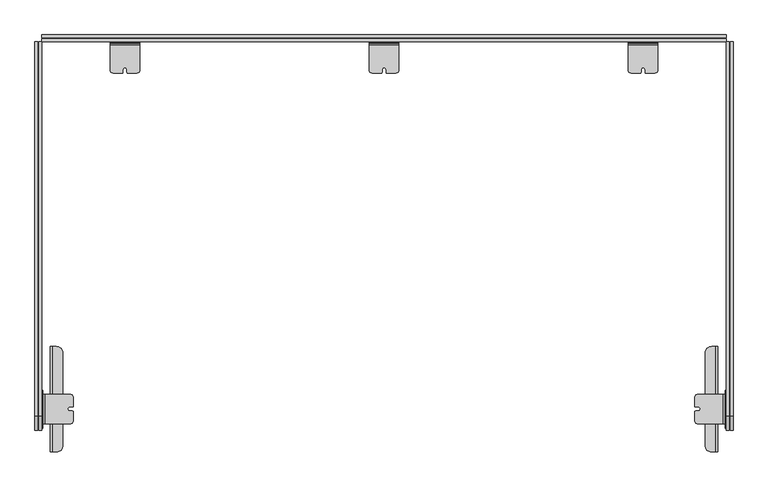
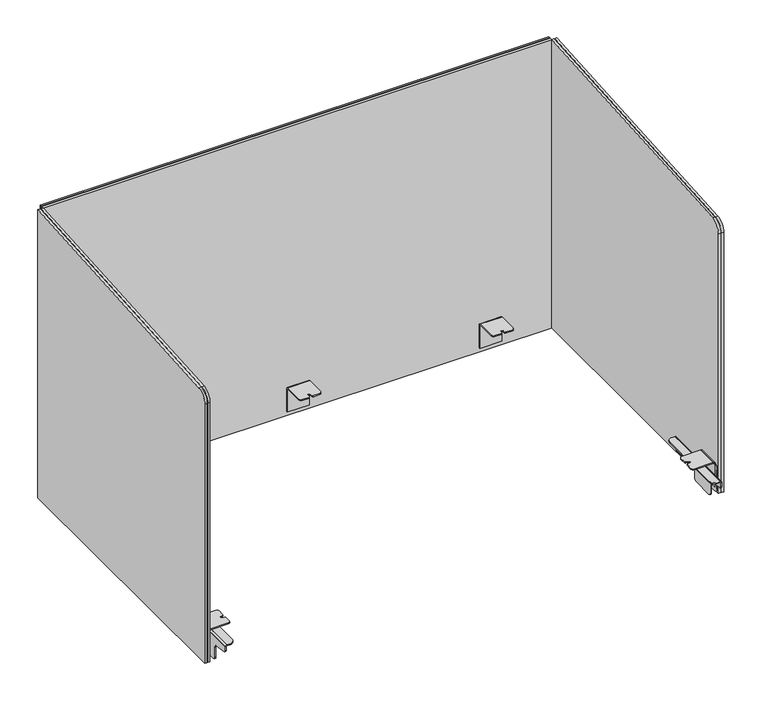
"""IFC4 building model written with IfcOpenShell, lengths in millimetres: furniture geometry."""

from ifc_helpers import new_model, si_unit, point, frame, frame_2d, origin, place, context, project, spatial, polyline, circle_curve, trimmed, segment, composite_curve, outline, extrude, faceted_brep, source, transform, mapped, element, save
from ifc_brep_helpers import plane_surface, cylinder_surface, advanced_brep


def furniture_b3ab7c66(model_context):
    return source(origin(), model_context, "Body", "SolidModel", [
        extrude(outline(polyline([(-578.515657, 701.6102412), (-573.4356619, 700.2490597), (-569.7168482, 696.530246), (-568.3602405, 691.4673203), (-568.3602405, 645.7131523), (-569.7168482, 640.6502266), (-573.4356619, 636.9314129), (-578.515657, 635.5702315), (-622.9656692, 635.5702315), (-628.0456643, 636.9314129), (-631.764478, 640.6502266), (-633.1754519, 645.9160497), (-633.1754519, 691.264423), (-631.764478, 696.530246), (-628.0456643, 700.2490597), (-622.9656692, 701.6102412), (-578.515657, 701.6102412)])), frame((0.0, 0.0, 0.0), z_axis=(1.0, 0.0, 0.0), x_axis=(0.0, 1.0, 0.0)), (0.0, 0.0, 1.0), 1.5260599),
        extrude(outline(composite_curve([segment(polyline([(690.1065829, 13.9575148), (690.1065829, 15.73666)]), True, "CONTINUOUS"), segment(trimmed(circle_curve(frame_2d((690.1810291, 17.1842629)), 1.449516), [point((690.1065829, 15.73666))], [point((691.6305451, 17.1842629))], True, "CARTESIAN"), True, "CONTINUOUS"), segment(polyline([(691.6305451, 17.1842629), (693.4085616, 17.1842629)]), True, "CONTINUOUS"), segment(trimmed(circle_curve(frame_2d((690.1809564, 17.1842629)), 3.2276051), [point((693.4085616, 17.1842629))], [point((690.1065829, 13.9575148))], False, "CARTESIAN"), True, "CONTINUOUS")], self_intersect=False)), frame((0.0, -673.8926478, 0.0), z_axis=(0.0, 1.0, 0.0), x_axis=(0.0, 0.0, 1.0)), (0.0, 0.0, 1.0), 179.8320102),
        extrude(outline(polyline([(-605.1895013, 651.5024712), (-602.4399598, 653.500169), (-599.0413301, 653.500169), (-596.2917886, 651.5024712), (-595.241562, 648.270183), (-596.2917886, 645.0378949), (-599.0413301, 643.0402697), (-602.4399598, 643.0402697), (-605.1895013, 645.0378949), (-606.2397642, 648.270183), (-605.1895013, 651.5024712)])), frame((1.5260599, 0.0, 0.0), z_axis=(1.0, 0.0, 0.0), x_axis=(0.0, 1.0, 0.0)), (0.0, 0.0, 1.0), 12.4305979),
        extrude(outline(composite_curve([segment(polyline([(17.1842629, -494.0606377), (24.6255536, -494.0606377)]), True, "CONTINUOUS"), segment(trimmed(circle_curve(frame_2d((24.6255536, -505.2357573)), 11.1751197), [point((24.6255536, -494.0606377))], [point((35.8006733, -505.2357573))], False, "CARTESIAN"), True, "CONTINUOUS"), segment(polyline([(35.8006733, -505.2357573), (35.8006733, -662.8505818)]), True, "CONTINUOUS"), segment(trimmed(circle_curve(frame_2d((24.7586072, -662.8505818)), 11.0420661), [point((35.8006733, -662.8505818))], [point((24.7586072, -673.8926478))], False, "CARTESIAN"), True, "CONTINUOUS"), segment(polyline([(24.7586072, -673.8926478), (17.1842629, -673.8926478), (17.1842629, -494.0606377)]), True, "CONTINUOUS")], self_intersect=False)), frame((0.0, 0.0, 691.6305451), z_axis=(0.0, 0.0, 1.0), x_axis=(1.0, 0.0, 0.0)), (0.0, 0.0, 1.0), 1.7780165),
        extrude(outline(composite_curve([segment(polyline([(-494.0606377, 690.1065829), (-494.0606377, 666.7385567)]), True, "CONTINUOUS"), segment(trimmed(circle_curve(frame_2d((-500.4106377, 666.7385567)), 6.35), [point((-494.0606377, 666.7385567))], [point((-500.4106377, 660.3885567))], False, "CARTESIAN"), True, "CONTINUOUS"), segment(polyline([(-500.4106377, 660.3885567), (-562.640657, 660.3885567)]), True, "CONTINUOUS"), segment(trimmed(circle_curve(frame_2d((-562.640657, 654.0385567)), 6.35), [point((-562.640657, 660.3885567))], [point((-568.990657, 654.0385567))], True, "CARTESIAN"), True, "CONTINUOUS"), segment(polyline([(-568.990657, 654.0385567), (-568.990657, 639.814546)]), True, "CONTINUOUS"), segment(trimmed(circle_curve(frame_2d((-575.340657, 639.814546)), 6.35), [point((-568.990657, 639.814546))], [point((-575.340657, 633.464546))], False, "CARTESIAN"), True, "CONTINUOUS"), segment(polyline([(-575.340657, 633.464546), (-626.1406692, 633.464546)]), True, "CONTINUOUS"), segment(trimmed(circle_curve(frame_2d((-626.1406692, 639.814546)), 6.35), [point((-626.1406692, 633.464546))], [point((-632.4906692, 639.814546))], False, "CARTESIAN"), True, "CONTINUOUS"), segment(polyline([(-632.4906692, 639.814546), (-632.4906692, 664.4132587)]), True, "CONTINUOUS"), segment(trimmed(circle_curve(frame_2d((-638.8406692, 664.4132587)), 6.35), [point((-632.4906692, 664.4132587))], [point((-637.8911215, 670.691862))], True, "CARTESIAN"), True, "CONTINUOUS"), segment(polyline([(-637.8911215, 670.691862), (-668.8412528, 675.3726202)]), True, "CONTINUOUS"), segment(trimmed(circle_curve(frame_2d((-667.953079, 681.245407)), 5.9395689), [point((-668.8412528, 675.3726202))], [point((-673.8926478, 681.245407))], False, "CARTESIAN"), True, "CONTINUOUS"), segment(polyline([(-673.8926478, 681.245407), (-673.8926478, 690.1065829), (-494.0606377, 690.1065829)]), True, "CONTINUOUS")], self_intersect=False)), frame((13.9566578, 0.0, 0.0), z_axis=(1.0, 0.0, 0.0), x_axis=(0.0, 1.0, 0.0)), (0.0, 0.0, 1.0), 1.7780891),
        extrude(outline(polyline([(-578.515657, 701.6102412), (-573.4356619, 700.2490597), (-569.7168482, 696.530246), (-568.3602405, 691.4673203), (-568.3602405, 645.7131523), (-569.7168482, 640.6502266), (-573.4356619, 636.9314129), (-578.515657, 635.5702315), (-622.9656692, 635.5702315), (-628.0456643, 636.9314129), (-631.764478, 640.6502266), (-633.1754519, 645.9160497), (-633.1754519, 691.264423), (-631.764478, 696.530246), (-628.0456643, 700.2490597), (-622.9656692, 701.6102412), (-578.515657, 701.6102412)])), frame((1163.8668103, 0.0, 0.0), z_axis=(1.0, 0.0, 0.0), x_axis=(0.0, 1.0, 0.0)), (0.0, 0.0, 1.0), 1.5260599),
        extrude(outline(composite_curve([segment(trimmed(circle_curve(frame_2d((690.1809564, 1148.2086073)), 3.2276051), [point((690.1065829, 1151.4353554))], [point((693.4085616, 1148.2086073))], False, "CARTESIAN"), True, "CONTINUOUS"), segment(polyline([(693.4085616, 1148.2086073), (691.6305451, 1148.2086073)]), True, "CONTINUOUS"), segment(trimmed(circle_curve(frame_2d((690.1810291, 1148.2086073)), 1.449516), [point((691.6305451, 1148.2086073))], [point((690.1065829, 1149.6562103))], True, "CARTESIAN"), True, "CONTINUOUS"), segment(polyline([(690.1065829, 1149.6562103), (690.1065829, 1151.4353554)]), True, "CONTINUOUS")], self_intersect=False)), frame((0.0, -673.8926478, 0.0), z_axis=(0.0, 1.0, 0.0), x_axis=(0.0, 0.0, 1.0)), (0.0, 0.0, 1.0), 179.8320102),
        extrude(outline(polyline([(-605.1895013, 651.5024712), (-602.4399598, 653.500169), (-599.0413301, 653.500169), (-596.2917886, 651.5024712), (-595.241562, 648.270183), (-596.2917886, 645.0378949), (-599.0413301, 643.0402697), (-602.4399598, 643.0402697), (-605.1895013, 645.0378949), (-606.2397642, 648.270183), (-605.1895013, 651.5024712)])), frame((1151.4362124, 0.0, 0.0), z_axis=(1.0, 0.0, 0.0), x_axis=(0.0, 1.0, 0.0)), (0.0, 0.0, 1.0), 12.4305979),
        extrude(outline(composite_curve([segment(polyline([(1148.2086073, -494.0606377), (1148.2086073, -673.8926478), (1140.634263, -673.8926478)]), True, "CONTINUOUS"), segment(trimmed(circle_curve(frame_2d((1140.634263, -662.8505818)), 11.0420661), [point((1140.634263, -673.8926478))], [point((1129.5921969, -662.8505818))], False, "CARTESIAN"), True, "CONTINUOUS"), segment(polyline([(1129.5921969, -662.8505818), (1129.5921969, -505.2357573)]), True, "CONTINUOUS"), segment(trimmed(circle_curve(frame_2d((1140.7673166, -505.2357573)), 11.1751197), [point((1129.5921969, -505.2357573))], [point((1140.7673166, -494.0606377))], False, "CARTESIAN"), True, "CONTINUOUS"), segment(polyline([(1140.7673166, -494.0606377), (1148.2086073, -494.0606377)]), True, "CONTINUOUS")], self_intersect=False)), frame((0.0, 0.0, 691.6305451), z_axis=(0.0, 0.0, 1.0), x_axis=(1.0, 0.0, 0.0)), (0.0, 0.0, 1.0), 1.7780165),
        extrude(outline(composite_curve([segment(polyline([(-494.0606377, 690.1065829), (-494.0606377, 666.7385567)]), True, "CONTINUOUS"), segment(trimmed(circle_curve(frame_2d((-500.4106377, 666.7385567)), 6.35), [point((-494.0606377, 666.7385567))], [point((-500.4106377, 660.3885567))], False, "CARTESIAN"), True, "CONTINUOUS"), segment(polyline([(-500.4106377, 660.3885567), (-562.640657, 660.3885567)]), True, "CONTINUOUS"), segment(trimmed(circle_curve(frame_2d((-562.640657, 654.0385567)), 6.35), [point((-562.640657, 660.3885567))], [point((-568.990657, 654.0385567))], True, "CARTESIAN"), True, "CONTINUOUS"), segment(polyline([(-568.990657, 654.0385567), (-568.990657, 639.814546)]), True, "CONTINUOUS"), segment(trimmed(circle_curve(frame_2d((-575.340657, 639.814546)), 6.35), [point((-568.990657, 639.814546))], [point((-575.340657, 633.464546))], False, "CARTESIAN"), True, "CONTINUOUS"), segment(polyline([(-575.340657, 633.464546), (-626.1406692, 633.464546)]), True, "CONTINUOUS"), segment(trimmed(circle_curve(frame_2d((-626.1406692, 639.814546)), 6.35), [point((-626.1406692, 633.464546))], [point((-632.4906692, 639.814546))], False, "CARTESIAN"), True, "CONTINUOUS"), segment(polyline([(-632.4906692, 639.814546), (-632.4906692, 664.4132587)]), True, "CONTINUOUS"), segment(trimmed(circle_curve(frame_2d((-638.8406692, 664.4132587)), 6.35), [point((-632.4906692, 664.4132587))], [point((-637.8911215, 670.691862))], True, "CARTESIAN"), True, "CONTINUOUS"), segment(polyline([(-637.8911215, 670.691862), (-668.8412528, 675.3726202)]), True, "CONTINUOUS"), segment(trimmed(circle_curve(frame_2d((-667.953079, 681.245407)), 5.9395689), [point((-668.8412528, 675.3726202))], [point((-673.8926478, 681.245407))], False, "CARTESIAN"), True, "CONTINUOUS"), segment(polyline([(-673.8926478, 681.245407), (-673.8926478, 690.1065829), (-494.0606377, 690.1065829)]), True, "CONTINUOUS")], self_intersect=False)), frame((1149.6581233, 0.0, 0.0), z_axis=(1.0, 0.0, 0.0), x_axis=(0.0, 1.0, 0.0)), (0.0, 0.0, 1.0), 1.7780891),
        faceted_brep([(1160.4360501, -625.4059661, 706.2267714), (1116.620095, -625.4059661, 706.2267714), (1116.620095, -625.4059661, 703.7267786), (1160.4360501, -625.4059661, 703.7267786), (1162.2038173, -625.4059661, 702.9945559), (1162.7457488, -625.4059661, 702.1834862), (1162.9360502, -625.4059661, 701.2267859), (1162.9360502, -625.4059661, 646.2268), (1165.3928702, -625.4059661, 646.2268), (1165.3928702, -625.4059661, 701.3691329), (1164.5933983, -625.4059661, 704.0046687), (1163.2139012, -625.4059661, 705.3841629), (1160.4360501, -575.426341, 703.7267786), (1116.6764726, -575.426341, 703.7267786), (1116.6764726, -575.426341, 706.2267714), (1160.4360501, -575.426341, 706.2267714), (1163.2139012, -575.426341, 705.3841629), (1164.5933983, -575.426341, 704.0046687), (1165.3928702, -575.426341, 701.3691329), (1165.3928702, -575.426341, 646.2268), (1162.9360502, -575.426341, 646.2268), (1162.9360502, -575.426341, 701.2267859), (1162.7457488, -575.426341, 702.1834862), (1162.2038173, -575.426341, 702.9945559), (1114.0514107, -624.6206405, 703.7267786), (1112.6483639, -623.2175937, 703.7267786), (1111.7087044, -620.5677959, 703.7267786), (1111.7087044, -606.0721135, 703.7267786), (1112.474203, -604.4304964, 703.7267786), (1113.7835242, -603.8199499, 703.7267786), (1118.0804642, -603.8199499, 703.7267786), (1120.2070488, -602.8283072, 703.7267786), (1121.340524, -600.3975618, 703.7267786), (1120.3634926, -598.3023111, 703.7267786), (1117.9820572, -597.1918296, 703.7267786), (1113.7208759, -597.1918296, 703.7267786), (1112.3643634, -596.5592774, 703.7267786), (1111.7087044, -595.1532122, 703.7267786), (1111.7087044, -580.6692161, 703.7267786), (1112.62724, -577.686723, 703.7267786), (1114.0266388, -576.2873242, 703.7267786), (1111.7087044, -620.5677959, 706.2267714), (1111.7087044, -606.0721135, 706.2267714), (1111.7087044, -595.1532122, 706.2267714), (1111.7087044, -580.6692161, 706.2267714), (1114.0266388, -576.2873242, 706.2267714), (1112.62724, -577.686723, 706.2267714), (1112.3643634, -596.5592774, 706.2267714), (1113.7208759, -597.1918296, 706.2267714), (1117.9820572, -597.1918296, 706.2267714), (1120.3634926, -598.3023111, 706.2267714), (1121.340524, -600.3975618, 706.2267714), (1120.2070488, -602.8283072, 706.2267714), (1118.0804642, -603.8199499, 706.2267714), (1113.7835242, -603.8199499, 706.2267714), (1112.474203, -604.4304964, 706.2267714), (1112.6483639, -623.2175937, 706.2267714), (1114.0514107, -624.6206405, 706.2267714)], [[[0, 1, 2, 3, 4, 5, 6, 7, 8, 9, 10, 11]], [[12, 13, 14, 15, 16, 17, 18, 19, 20, 21, 22, 23]], [[11, 16, 15, 0]], [[10, 17, 16, 11]], [[9, 18, 17, 10]], [[8, 19, 18, 9]], [[7, 20, 19, 8]], [[6, 21, 20, 7]], [[5, 22, 21, 6]], [[4, 23, 22, 5]], [[3, 12, 23, 4]], [[3, 2, 24, 25, 26, 27, 28, 29, 30, 31, 32, 33, 34, 35, 36, 37, 38, 39, 40, 13, 12]], [[26, 41, 42, 27]], [[37, 43, 44, 38]], [[15, 14, 45, 46, 44, 43, 47, 48, 49, 50, 51, 52, 53, 54, 55, 42, 41, 56, 57, 1, 0]], [[40, 39, 46, 45]], [[39, 38, 44, 46]], [[45, 14, 13, 40]], [[56, 41, 26, 25]], [[25, 24, 57, 56]], [[24, 2, 1, 57]], [[36, 35, 48, 47]], [[35, 34, 49, 48]], [[34, 33, 50, 49]], [[33, 32, 51, 50]], [[32, 31, 52, 51]], [[31, 30, 53, 52]], [[30, 29, 54, 53]], [[29, 28, 55, 54]], [[28, 27, 42, 55]], [[47, 43, 37, 36]]]),
        faceted_brep([(4.9568201, -625.4059661, 706.2267714), (2.178969, -625.4059661, 705.3841629), (0.7994719, -625.4059661, 704.0046687), (0.0, -625.4059661, 701.3691329), (0.0, -625.4059661, 646.2268), (2.45682, -625.4059661, 646.2268), (2.45682, -625.4059661, 701.2267859), (2.6471214, -625.4059661, 702.1834862), (3.1890529, -625.4059661, 702.9945559), (4.9568201, -625.4059661, 703.7267786), (48.7727752, -625.4059661, 703.7267786), (48.7727752, -625.4059661, 706.2267714), (4.9568201, -575.426341, 703.7267786), (3.1890529, -575.426341, 702.9945559), (2.6471214, -575.426341, 702.1834862), (2.45682, -575.426341, 701.2267859), (2.45682, -575.426341, 646.2268), (0.0, -575.426341, 646.2268), (0.0, -575.426341, 701.3691329), (0.7994719, -575.426341, 704.0046687), (2.178969, -575.426341, 705.3841629), (4.9568201, -575.426341, 706.2267714), (48.7163976, -575.426341, 706.2267714), (48.7163976, -575.426341, 703.7267786), (51.3662314, -576.2873242, 703.7267786), (52.7656302, -577.686723, 703.7267786), (53.6841658, -580.6692161, 703.7267786), (53.6841658, -595.1532122, 703.7267786), (53.0285068, -596.5592774, 703.7267786), (51.6719943, -597.1918296, 703.7267786), (47.4108131, -597.1918296, 703.7267786), (45.0293776, -598.3023111, 703.7267786), (44.0523462, -600.3975618, 703.7267786), (45.1858214, -602.8283072, 703.7267786), (47.312406, -603.8199499, 703.7267786), (51.609346, -603.8199499, 703.7267786), (52.9186672, -604.4304964, 703.7267786), (53.6841658, -606.0721135, 703.7267786), (53.6841658, -620.5677959, 703.7267786), (52.7445063, -623.2175937, 703.7267786), (51.3414595, -624.6206405, 703.7267786), (53.6841658, -580.6692161, 706.2267714), (53.6841658, -595.1532122, 706.2267714), (53.6841658, -606.0721135, 706.2267714), (53.6841658, -620.5677959, 706.2267714), (51.3414595, -624.6206405, 706.2267714), (52.7445063, -623.2175937, 706.2267714), (52.9186672, -604.4304964, 706.2267714), (51.609346, -603.8199499, 706.2267714), (47.312406, -603.8199499, 706.2267714), (45.1858214, -602.8283072, 706.2267714), (44.0523462, -600.3975618, 706.2267714), (45.0293776, -598.3023111, 706.2267714), (47.4108131, -597.1918296, 706.2267714), (51.6719943, -597.1918296, 706.2267714), (53.0285068, -596.5592774, 706.2267714), (52.7656302, -577.686723, 706.2267714), (51.3662314, -576.2873242, 706.2267714)], [[[0, 1, 2, 3, 4, 5, 6, 7, 8, 9, 10, 11]], [[12, 13, 14, 15, 16, 17, 18, 19, 20, 21, 22, 23]], [[1, 0, 21, 20]], [[2, 1, 20, 19]], [[3, 2, 19, 18]], [[4, 3, 18, 17]], [[5, 4, 17, 16]], [[6, 5, 16, 15]], [[7, 6, 15, 14]], [[8, 7, 14, 13]], [[9, 8, 13, 12]], [[9, 12, 23, 24, 25, 26, 27, 28, 29, 30, 31, 32, 33, 34, 35, 36, 37, 38, 39, 40, 10]], [[27, 26, 41, 42]], [[38, 37, 43, 44]], [[21, 0, 11, 45, 46, 44, 43, 47, 48, 49, 50, 51, 52, 53, 54, 55, 42, 41, 56, 57, 22]], [[24, 57, 56, 25]], [[25, 56, 41, 26]], [[57, 24, 23, 22]], [[46, 39, 38, 44]], [[39, 46, 45, 40]], [[40, 45, 11, 10]], [[28, 55, 54, 29]], [[29, 54, 53, 30]], [[30, 53, 52, 31]], [[31, 52, 51, 32]], [[32, 51, 50, 33]], [[33, 50, 49, 34]], [[34, 49, 48, 35]], [[35, 48, 47, 36]], [[36, 47, 43, 37]], [[55, 28, 27, 42]]]),
        faceted_brep([(116.2874907, 20.4011265, 703.7267786), (116.2874907, -23.2471056, 703.7267786), (116.2874907, -23.2471056, 706.2267714), (116.2874907, 20.4011265, 706.2267714), (116.2874907, 23.1789774, 705.3841629), (116.2874907, 24.5584763, 704.0046687), (116.2874907, 25.4011279, 701.2267859), (116.2874907, 25.4011279, 646.2268), (116.2874907, 22.901126, 646.2268), (116.2874907, 22.901126, 701.2267859), (116.2874907, 22.710826, 702.1834862), (116.2874907, 22.1688942, 702.9945559), (166.2875002, 20.4011265, 706.2267714), (166.2875002, -23.1817556, 706.2267714), (166.2875002, -23.1817556, 703.7267786), (166.2875002, 20.4011265, 703.7267786), (166.2875002, 22.1688942, 702.9945559), (166.2875002, 22.710826, 702.1834862), (166.2875002, 22.901126, 701.2267859), (166.2875002, 22.901126, 646.2268), (166.2875002, 25.4011279, 646.2268), (166.2875002, 25.4011279, 701.2267859), (166.2875002, 24.5584763, 704.0046687), (166.2875002, 23.1789774, 705.3841629), (146.5874944, -28.1817525, 706.2267714), (146.5874944, -28.1817525, 703.7267786), (161.2874965, -28.1817525, 703.7267786), (161.2874965, -28.1817525, 706.2267714), (121.2676706, -28.1817525, 706.2267714), (121.2676706, -28.1817525, 703.7267786), (135.9874965, -28.1817525, 703.7267786), (135.9874965, -28.1817525, 706.2267714), (165.4448463, -25.9596021, 703.7267786), (164.065352, -27.3391009, 703.7267786), (145.1732821, -27.5959666, 703.7267786), (144.5874984, -26.1817542, 703.7267786), (144.5874984, -21.9817539, 703.7267786), (143.6209513, -19.6483026, 703.7267786), (141.2875, -18.6817532, 703.7267786), (138.9540396, -19.6483026, 703.7267786), (137.9874925, -21.9817539, 703.7267786), (137.9874925, -26.1817542, 703.7267786), (137.4017088, -27.5959666, 703.7267786), (118.4898151, -27.3391009, 703.7267786), (117.1103208, -25.9596021, 703.7267786), (117.1103208, -25.9596021, 706.2267714), (118.4898151, -27.3391009, 706.2267714), (137.4017088, -27.5959666, 706.2267714), (137.9874925, -26.1817542, 706.2267714), (137.9874925, -21.9817539, 706.2267714), (138.9540396, -19.6483026, 706.2267714), (141.2875, -18.6817532, 706.2267714), (143.6209513, -19.6483026, 706.2267714), (144.5874984, -21.9817539, 706.2267714), (144.5874984, -26.1817542, 706.2267714), (145.1732821, -27.5959666, 706.2267714), (164.065352, -27.3391009, 706.2267714), (165.4448463, -25.9596021, 706.2267714)], [[[0, 1, 2, 3, 4, 5, 6, 7, 8, 9, 10, 11]], [[12, 13, 14, 15, 16, 17, 18, 19, 20, 21, 22, 23]], [[24, 25, 26, 27]], [[28, 29, 30, 31]], [[15, 14, 32, 33, 26, 25, 34, 35, 36, 37, 38, 39, 40, 41, 42, 30, 29, 43, 44, 1, 0]], [[11, 16, 15, 0]], [[10, 17, 16, 11]], [[9, 18, 17, 10]], [[8, 19, 18, 9]], [[7, 20, 19, 8]], [[6, 21, 20, 7]], [[5, 22, 21, 6]], [[4, 23, 22, 5]], [[3, 12, 23, 4]], [[3, 2, 45, 46, 28, 31, 47, 48, 49, 50, 51, 52, 53, 54, 55, 24, 27, 56, 57, 13, 12]], [[32, 14, 13, 57]], [[56, 27, 26, 33]], [[57, 56, 33, 32]], [[44, 43, 46, 45]], [[43, 29, 28, 46]], [[45, 2, 1, 44]], [[37, 36, 53, 52]], [[36, 35, 54, 53]], [[35, 34, 55, 54]], [[34, 25, 24, 55]], [[47, 31, 30, 42]], [[42, 41, 48, 47]], [[41, 40, 49, 48]], [[40, 39, 50, 49]], [[39, 38, 51, 50]], [[52, 51, 38, 37]]]),
        faceted_brep([(1049.0645515, 20.4011265, 703.7267786), (1049.0645515, 22.1688942, 702.9945559), (1049.0645515, 22.710826, 702.1834862), (1049.0645515, 22.901126, 701.2267859), (1049.0645515, 22.901126, 646.2268), (1049.0645515, 25.4011279, 646.2268), (1049.0645515, 25.4011279, 701.2267859), (1049.0645515, 24.5584763, 704.0046687), (1049.0645515, 23.1789774, 705.3841629), (1049.0645515, 20.4011265, 706.2267714), (1049.0645515, -23.2471056, 706.2267714), (1049.0645515, -23.2471056, 703.7267786), (999.0645421, 20.4011265, 706.2267714), (999.0645421, 23.1789774, 705.3841629), (999.0645421, 24.5584763, 704.0046687), (999.0645421, 25.4011279, 701.2267859), (999.0645421, 25.4011279, 646.2268), (999.0645421, 22.901126, 646.2268), (999.0645421, 22.901126, 701.2267859), (999.0645421, 22.710826, 702.1834862), (999.0645421, 22.1688942, 702.9945559), (999.0645421, 20.4011265, 703.7267786), (999.0645421, -23.1817556, 703.7267786), (999.0645421, -23.1817556, 706.2267714), (1018.7645478, -28.1817525, 706.2267714), (1004.0645458, -28.1817525, 706.2267714), (1004.0645458, -28.1817525, 703.7267786), (1018.7645478, -28.1817525, 703.7267786), (1044.0843716, -28.1817525, 706.2267714), (1029.3645458, -28.1817525, 706.2267714), (1029.3645458, -28.1817525, 703.7267786), (1044.0843716, -28.1817525, 703.7267786), (1048.2417214, -25.9596021, 703.7267786), (1046.8622272, -27.3391009, 703.7267786), (1027.9503334, -27.5959666, 703.7267786), (1027.3645498, -26.1817542, 703.7267786), (1027.3645498, -21.9817539, 703.7267786), (1026.3980027, -19.6483026, 703.7267786), (1024.0645423, -18.6817532, 703.7267786), (1021.731091, -19.6483026, 703.7267786), (1020.7645438, -21.9817539, 703.7267786), (1020.7645438, -26.1817542, 703.7267786), (1020.1787602, -27.5959666, 703.7267786), (1001.2866902, -27.3391009, 703.7267786), (999.9071959, -25.9596021, 703.7267786), (999.9071959, -25.9596021, 706.2267714), (1001.2866902, -27.3391009, 706.2267714), (1020.1787602, -27.5959666, 706.2267714), (1020.7645438, -26.1817542, 706.2267714), (1020.7645438, -21.9817539, 706.2267714), (1021.731091, -19.6483026, 706.2267714), (1024.0645423, -18.6817532, 706.2267714), (1026.3980027, -19.6483026, 706.2267714), (1027.3645498, -21.9817539, 706.2267714), (1027.3645498, -26.1817542, 706.2267714), (1027.9503334, -27.5959666, 706.2267714), (1046.8622272, -27.3391009, 706.2267714), (1048.2417214, -25.9596021, 706.2267714)], [[[0, 1, 2, 3, 4, 5, 6, 7, 8, 9, 10, 11]], [[12, 13, 14, 15, 16, 17, 18, 19, 20, 21, 22, 23]], [[24, 25, 26, 27]], [[28, 29, 30, 31]], [[21, 0, 11, 32, 33, 31, 30, 34, 35, 36, 37, 38, 39, 40, 41, 42, 27, 26, 43, 44, 22]], [[1, 0, 21, 20]], [[2, 1, 20, 19]], [[3, 2, 19, 18]], [[4, 3, 18, 17]], [[5, 4, 17, 16]], [[6, 5, 16, 15]], [[7, 6, 15, 14]], [[8, 7, 14, 13]], [[9, 8, 13, 12]], [[9, 12, 23, 45, 46, 25, 24, 47, 48, 49, 50, 51, 52, 53, 54, 55, 29, 28, 56, 57, 10]], [[44, 45, 23, 22]], [[46, 43, 26, 25]], [[45, 44, 43, 46]], [[32, 57, 56, 33]], [[33, 56, 28, 31]], [[57, 32, 11, 10]], [[39, 50, 49, 40]], [[40, 49, 48, 41]], [[41, 48, 47, 42]], [[42, 47, 24, 27]], [[55, 34, 30, 29]], [[34, 55, 54, 35]], [[35, 54, 53, 36]], [[36, 53, 52, 37]], [[37, 52, 51, 38]], [[50, 39, 38, 51]]]),
        faceted_brep([(607.8849655, 20.4011265, 703.7267786), (607.8849655, 22.1688942, 702.9945559), (607.8849655, 22.710826, 702.1834862), (607.8849655, 22.901126, 701.2267859), (607.8849655, 22.901126, 646.2268), (607.8849655, 25.4011279, 646.2268), (607.8849655, 25.4011279, 701.2267859), (607.8849655, 24.5584763, 704.0046687), (607.8849655, 23.1789774, 705.3841629), (607.8849655, 20.4011265, 706.2267714), (607.8849655, -23.2471056, 706.2267714), (607.8849655, -23.2471056, 703.7267786), (557.884956, 20.4011265, 706.2267714), (557.884956, 23.1789774, 705.3841629), (557.884956, 24.5584763, 704.0046687), (557.884956, 25.4011279, 701.2267859), (557.884956, 25.4011279, 646.2268), (557.884956, 22.901126, 646.2268), (557.884956, 22.901126, 701.2267859), (557.884956, 22.710826, 702.1834862), (557.884956, 22.1688942, 702.9945559), (557.884956, 20.4011265, 703.7267786), (557.884956, -23.1817556, 703.7267786), (557.884956, -23.1817556, 706.2267714), (577.5849617, -28.1817525, 706.2267714), (562.8849597, -28.1817525, 706.2267714), (562.8849597, -28.1817525, 703.7267786), (577.5849617, -28.1817525, 703.7267786), (602.9047855, -28.1817525, 706.2267714), (588.1849597, -28.1817525, 706.2267714), (588.1849597, -28.1817525, 703.7267786), (602.9047855, -28.1817525, 703.7267786), (607.0621353, -25.9596021, 703.7267786), (605.6826411, -27.3391009, 703.7267786), (586.7707473, -27.5959666, 703.7267786), (586.1849637, -26.1817542, 703.7267786), (586.1849637, -21.9817539, 703.7267786), (585.2184166, -19.6483026, 703.7267786), (582.8849562, -18.6817532, 703.7267786), (580.5515049, -19.6483026, 703.7267786), (579.5849578, -21.9817539, 703.7267786), (579.5849578, -26.1817542, 703.7267786), (578.9991741, -27.5959666, 703.7267786), (560.1071041, -27.3391009, 703.7267786), (558.7276099, -25.9596021, 703.7267786), (558.7276099, -25.9596021, 706.2267714), (560.1071041, -27.3391009, 706.2267714), (578.9991741, -27.5959666, 706.2267714), (579.5849578, -26.1817542, 706.2267714), (579.5849578, -21.9817539, 706.2267714), (580.5515049, -19.6483026, 706.2267714), (582.8849562, -18.6817532, 706.2267714), (585.2184166, -19.6483026, 706.2267714), (586.1849637, -21.9817539, 706.2267714), (586.1849637, -26.1817542, 706.2267714), (586.7707473, -27.5959666, 706.2267714), (605.6826411, -27.3391009, 706.2267714), (607.0621353, -25.9596021, 706.2267714)], [[[0, 1, 2, 3, 4, 5, 6, 7, 8, 9, 10, 11]], [[12, 13, 14, 15, 16, 17, 18, 19, 20, 21, 22, 23]], [[24, 25, 26, 27]], [[28, 29, 30, 31]], [[21, 0, 11, 32, 33, 31, 30, 34, 35, 36, 37, 38, 39, 40, 41, 42, 27, 26, 43, 44, 22]], [[1, 0, 21, 20]], [[2, 1, 20, 19]], [[3, 2, 19, 18]], [[4, 3, 18, 17]], [[5, 4, 17, 16]], [[6, 5, 16, 15]], [[7, 6, 15, 14]], [[8, 7, 14, 13]], [[9, 8, 13, 12]], [[9, 12, 23, 45, 46, 25, 24, 47, 48, 49, 50, 51, 52, 53, 54, 55, 29, 28, 56, 57, 10]], [[44, 45, 23, 22]], [[46, 43, 26, 25]], [[45, 44, 43, 46]], [[32, 57, 56, 33]], [[33, 56, 28, 31]], [[57, 32, 11, 10]], [[39, 50, 49, 40]], [[40, 49, 48, 41]], [[41, 48, 47, 42]], [[42, 47, 24, 27]], [[55, 34, 30, 29]], [[34, 55, 54, 35]], [[35, 54, 53, 36]], [[36, 53, 52, 37]], [[37, 52, 51, 38]], [[50, 39, 38, 51]]]),
        advanced_brep(
        [(1170.6765253, -613.529928, 1290.3571366), (1165.3928702, -613.529928, 1290.3571366), (1165.3928702, -636.6080487, 1265.0634838), (1170.6765253, -636.6080487, 1265.0634838), (1170.6765253, 25.4013821, 1335.0203526), (1165.3928702, 25.4011271, 1335.0203347), (1170.6765253, 25.4011271, 636.2192), (1170.6765253, -636.6080487, 636.2192), (1165.3928702, -636.6080487, 636.2192), (1165.3928702, 25.4011271, 636.2192)],
        [
            (0, 1),
            (1, 2, circle_curve(frame((1165.3928702, -611.2080487, 1265.0634838), z_axis=(1.0, 0.0, 0.0), x_axis=(0.0, 1.0, 0.0)), 25.4)),
            (2, 3),
            (3, 0, circle_curve(frame((1170.6765253, -611.2080487, 1265.0634838), z_axis=(-1.0, 0.0, 0.0), x_axis=(0.0, 1.0, 0.0)), 25.4)),
            (0, 4),
            (4, 5),
            (5, 1),
            (6, 7),
            (7, 8),
            (8, 9),
            (9, 6),
            (9, 5),
            (4, 6),
            (8, 2),
            (7, 3),
        ],
        [
            cylinder_surface(frame((-50.1241298, -611.2080487, 1265.0634838), z_axis=(-1.0, 0.0, 0.0), x_axis=(0.0, 1.0, 0.0)), 25.4),
            plane_surface(frame((1215.517, -613.529928, 1290.3571366), z_axis=(0.0, -0.06973283619164417, 0.9975657028770933), x_axis=(-1.0, 0.0, 0.0))),
            plane_surface(frame((-53.1876919, 25.4011271, 636.2192), z_axis=(0.0, 0.0, -1.0), x_axis=(1.0, 0.0, 0.0))),
            plane_surface(frame((1170.6765253, 25.4011271, 1335.024), z_axis=(0.0, 1.0, 0.0), x_axis=(0.0, 0.0, -1.0))),
            plane_surface(frame((1165.3928702, 25.4011271, 1335.024), z_axis=(-1.0, 0.0, 0.0), x_axis=(0.0, 0.0, -1.0))),
            plane_surface(frame((1165.3928702, -636.6080487, 1335.024), z_axis=(0.0, -1.0, 0.0), x_axis=(0.0, 0.0, -1.0))),
            plane_surface(frame((1170.6765253, -636.6080487, 1335.024), z_axis=(1.0, 0.0, 0.0), x_axis=(0.0, 0.0, -1.0))),
        ],
        [
            (0, [[1, 2, 3, 4]]),
            (1, [[-1, 5, 6, 7]]),
            (2, [[8, 9, 10, 11]]),
            (3, [[-11, 12, -6, 13]]),
            (4, [[-10, 14, -2, -7, -12]]),
            (5, [[-9, 15, -3, -14]]),
            (6, [[-8, -13, -5, -4, -15]]),
        ],
    ),
        advanced_brep(
        [(1177.417, -613.529928, 1290.3571366), (1172.1765251, -613.529928, 1290.3571366), (1172.1765251, -636.6080487, 1265.0634838), (1177.417, -636.6080487, 1265.0634838), (1177.417, 25.4013821, 1335.0203526), (1172.1765251, 25.4011271, 1335.0203347), (1177.417, 25.4011271, 636.2192), (1177.417, -636.6080487, 636.2192), (1172.1765251, -636.6080487, 636.2192), (1172.1765251, 25.4011271, 636.2192)],
        [
            (0, 1),
            (1, 2, circle_curve(frame((1172.1765251, -611.2080487, 1265.0634838), z_axis=(1.0, 0.0, 0.0), x_axis=(0.0, 1.0, 0.0)), 25.4)),
            (2, 3),
            (3, 0, circle_curve(frame((1177.417, -611.2080487, 1265.0634838), z_axis=(-1.0, 0.0, 0.0), x_axis=(0.0, 1.0, 0.0)), 25.4)),
            (0, 4),
            (4, 5),
            (5, 1),
            (6, 7),
            (7, 8),
            (8, 9),
            (9, 6),
            (9, 5),
            (4, 6),
            (8, 2),
            (7, 3),
        ],
        [
            cylinder_surface(frame((-50.1241298, -611.2080487, 1265.0634838), z_axis=(-1.0, 0.0, 0.0), x_axis=(0.0, 1.0, 0.0)), 25.4),
            plane_surface(frame((1215.517, -613.529928, 1290.3571366), z_axis=(0.0, -0.06973283619164417, 0.9975657028770933), x_axis=(-1.0, 0.0, 0.0))),
            plane_surface(frame((-53.1876919, 25.4011271, 636.2192), z_axis=(0.0, 0.0, -1.0), x_axis=(1.0, 0.0, 0.0))),
            plane_surface(frame((1177.417, 25.4011271, 1335.024), z_axis=(0.0, 1.0, 0.0), x_axis=(0.0, 0.0, -1.0))),
            plane_surface(frame((1172.1765251, 25.4011271, 1335.024), z_axis=(-1.0, 0.0, 0.0), x_axis=(0.0, 0.0, -1.0))),
            plane_surface(frame((1172.1765251, -636.6080487, 1335.024), z_axis=(0.0, -1.0, 0.0), x_axis=(0.0, 0.0, -1.0))),
            plane_surface(frame((1177.417, -636.6080487, 1335.024), z_axis=(1.0, 0.0, 0.0), x_axis=(0.0, 0.0, -1.0))),
        ],
        [
            (0, [[1, 2, 3, 4]]),
            (1, [[-1, 5, 6, 7]]),
            (2, [[8, 9, 10, 11]]),
            (3, [[-11, 12, -6, 13]]),
            (4, [[-10, 14, -2, -7, -12]]),
            (5, [[-9, 15, -3, -14]]),
            (6, [[-8, -13, -5, -4, -15]]),
        ],
    ),
        advanced_brep(
        [(-6.7836549, 25.4011271, 636.2192), (-6.7836549, -636.6080487, 636.2192), (-12.0241298, -636.6080487, 636.2192), (-12.0241298, 25.4011271, 636.2192), (-12.0241298, 25.4011271, 1335.024), (-6.7836549, 25.4011271, 1335.0203347), (-12.0241298, -636.6080487, 1265.0634838), (-12.0241298, -613.529928, 1290.3571366), (-6.7836549, -636.6080487, 1265.0634838), (-6.7836549, -613.529928, 1290.3571366)],
        [
            (0, 1),
            (1, 2),
            (2, 3),
            (3, 0),
            (3, 4),
            (4, 5),
            (5, 0),
            (2, 6),
            (6, 7, circle_curve(frame((-12.0241298, -611.2080487, 1265.0634838), z_axis=(-1.0, 0.0, 0.0), x_axis=(0.0, 1.0, 0.0)), 25.4)),
            (7, 4),
            (1, 8),
            (8, 6),
            (5, 9),
            (9, 8, circle_curve(frame((-6.7836549, -611.2080487, 1265.0634838), z_axis=(1.0, 0.0, 0.0), x_axis=(0.0, 1.0, 0.0)), 25.4)),
            (9, 7),
        ],
        [
            plane_surface(frame((-53.1876919, 25.4011271, 636.2192), z_axis=(0.0, 0.0, -1.0), x_axis=(1.0, 0.0, 0.0))),
            plane_surface(frame((-6.7836549, 25.4011271, 1335.024), z_axis=(0.0, 1.0, 0.0), x_axis=(0.0, 0.0, -1.0))),
            plane_surface(frame((-12.0241298, 25.4011271, 1335.024), z_axis=(-1.0, 0.0, 0.0), x_axis=(0.0, 0.0, -1.0))),
            plane_surface(frame((-12.0241298, -636.6080487, 1335.024), z_axis=(0.0, -1.0, 0.0), x_axis=(0.0, 0.0, -1.0))),
            plane_surface(frame((-6.7836549, -636.6080487, 1335.024), z_axis=(1.0, 0.0, 0.0), x_axis=(0.0, 0.0, -1.0))),
            cylinder_surface(frame((-50.1241298, -611.2080487, 1265.0634838), z_axis=(-1.0, 0.0, 0.0), x_axis=(0.0, 1.0, 0.0)), 25.4),
            plane_surface(frame((1215.517, -613.529928, 1290.3571366), z_axis=(0.0, -0.06973283619164417, 0.9975657028770933), x_axis=(-1.0, 0.0, 0.0))),
        ],
        [
            (0, [[1, 2, 3, 4]]),
            (1, [[-4, 5, 6, 7]]),
            (2, [[-3, 8, 9, 10, -5]]),
            (3, [[-2, 11, 12, -8]]),
            (4, [[-1, -7, 13, 14, -11]]),
            (5, [[15, -9, -12, -14]]),
            (6, [[-15, -13, -6, -10]]),
        ],
    ),
        advanced_brep(
        [(-5.2836551, 25.4011271, 636.2192), (0.0, 25.4011271, 636.2192), (0.0, -636.6080487, 636.2192), (-5.2836551, -636.6080487, 636.2192), (-5.2836551, -636.6080487, 1265.0634838), (-5.2836551, -613.529928, 1290.3571366), (-5.2836551, 25.4013821, 1335.0203526), (0.0, -636.6080487, 1265.0634838), (0.0, 25.4011271, 1335.024), (0.0, -613.529928, 1290.3571366)],
        [
            (0, 1),
            (1, 2),
            (2, 3),
            (3, 0),
            (3, 4),
            (4, 5, circle_curve(frame((-5.2836551, -611.2080487, 1265.0634838), z_axis=(-1.0, 0.0, 0.0), x_axis=(0.0, 1.0, 0.0)), 25.4)),
            (5, 6),
            (6, 0),
            (2, 7),
            (7, 4),
            (1, 8),
            (8, 9),
            (9, 7, circle_curve(frame((0.0, -611.2080487, 1265.0634838), z_axis=(1.0, 0.0, 0.0), x_axis=(0.0, 1.0, 0.0)), 25.4)),
            (6, 8),
            (9, 5),
        ],
        [
            plane_surface(frame((-53.1876919, 25.4011271, 636.2192), z_axis=(0.0, 0.0, -1.0), x_axis=(1.0, 0.0, 0.0))),
            plane_surface(frame((-5.2836551, 25.4011271, 1335.024), z_axis=(-1.0, 0.0, 0.0), x_axis=(0.0, 0.0, -1.0))),
            plane_surface(frame((-5.2836551, -636.6080487, 1335.024), z_axis=(0.0, -1.0, 0.0), x_axis=(0.0, 0.0, -1.0))),
            plane_surface(frame((0.0, -636.6080487, 1335.024), z_axis=(1.0, 0.0, 0.0), x_axis=(0.0, 0.0, -1.0))),
            plane_surface(frame((0.0, 25.4011271, 1335.024), z_axis=(0.0, 1.0, 0.0), x_axis=(0.0, 0.0, -1.0))),
            cylinder_surface(frame((-50.1241298, -611.2080487, 1265.0634838), z_axis=(-1.0, 0.0, 0.0), x_axis=(0.0, 1.0, 0.0)), 25.4),
            plane_surface(frame((1215.517, -613.529928, 1290.3571366), z_axis=(0.0, -0.06973283619164417, 0.9975657028770933), x_axis=(-1.0, 0.0, 0.0))),
        ],
        [
            (0, [[1, 2, 3, 4]]),
            (1, [[-4, 5, 6, 7, 8]]),
            (2, [[-3, 9, 10, -5]]),
            (3, [[-2, 11, 12, 13, -9]]),
            (4, [[-1, -8, 14, -11]]),
            (5, [[15, -6, -10, -13]]),
            (6, [[-15, -12, -14, -7]]),
        ],
    ),
        extrude(outline(polyline([(0.0, 32.1404755), (0.0, 37.3809513), (1165.3928702, 37.3809513), (1165.3928702, 32.1404755), (0.0, 32.1404755)])), frame((0.0, 0.0, 636.2192), z_axis=(0.0, 0.0, 1.0), x_axis=(1.0, 0.0, 0.0)), (0.0, 0.0, 1.0), 698.8048),
        extrude(outline(polyline([(1165.3928702, 25.4011271), (0.0, 25.4011271), (0.0, 30.6404739), (1165.3928702, 30.6404739), (1165.3928702, 25.4011271)])), frame((0.0, 0.0, 636.2192), z_axis=(0.0, 0.0, 1.0), x_axis=(1.0, 0.0, 0.0)), (0.0, 0.0, 1.0), 698.8048),
    ])


if __name__ == "__main__":
    model = new_model("IFC4")
    model_context = context("Model", 3, world=origin())
    ifc_project = project(units=[si_unit("LENGTHUNIT", "METRE", prefix="MILLI")], contexts=[model_context])
    site = spatial("IfcSite", under=ifc_project)
    building = spatial("IfcBuilding", under=site)
    placement = place(None, origin())
    furniture_shape = furniture_b3ab7c66(model_context)
    element("IfcFurniture", 1, at=placement, inside=building, context=model_context, shape_type="MappedRepresentation", body=[
        mapped(furniture_shape, transform((0.0, 0.0, 0.0), x_axis=(1.0, 0.0, 0.0), y_axis=(0.0, 1.0, 0.0), z_axis=(0.0, 0.0, 1.0))),
    ])
    save(model, "model.ifc")
